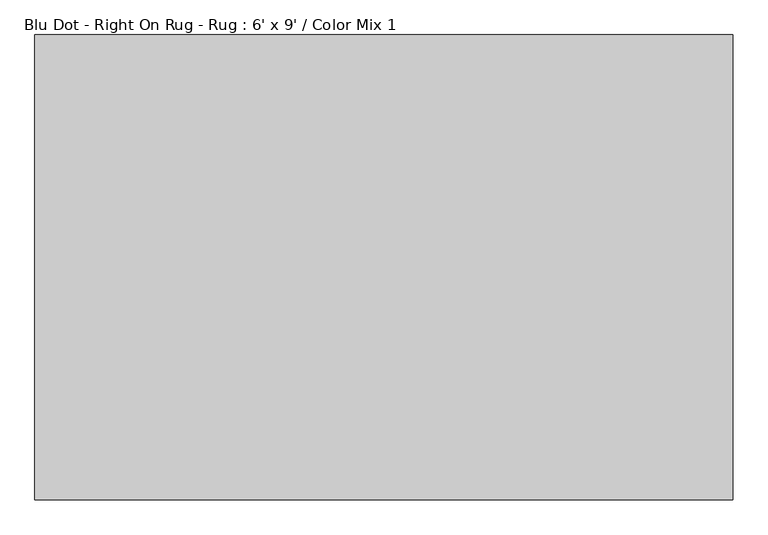
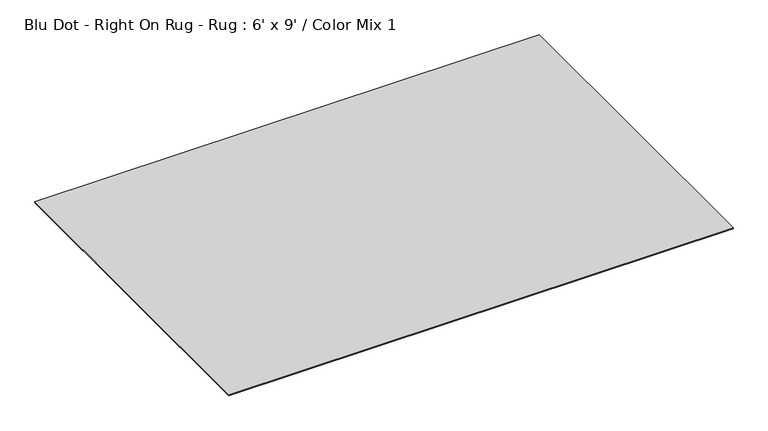
"""IFC4 building model written with IfcOpenShell, lengths in millimetres: furniture geometry, Blu Dot - Right On Rug - Rug : 6' x 9' / Color Mix 1."""

from ifc_helpers import new_model, si_unit, origin, origin_with_axes, place, context, project, spatial, polyline, outline, extrude, source, transform, mapped, element, save


def blu_dot_right_on_rug_rug_6_x_9_color_mix_1_638f6850(model_context):
    return source(origin(), model_context, "Body", "SweptSolid", [
        extrude(outline(polyline([(1371.6, -914.4), (-1371.6, -914.4), (-1371.6, 914.4), (1371.6, 914.4), (1371.6, -914.4)])), origin_with_axes(), (0.0, 0.0, 1.0), 6.35),
    ])


if __name__ == "__main__":
    model = new_model("IFC4")
    model_context = context("Model", 3, world=origin())
    ifc_project = project(units=[si_unit("LENGTHUNIT", "METRE", prefix="MILLI")], contexts=[model_context])
    site = spatial("IfcSite", under=ifc_project)
    building = spatial("IfcBuilding", under=site)
    placement = place(None, origin())
    blu_dot_right_on_rug_rug_6_x_9_color_mix_1_shape = blu_dot_right_on_rug_rug_6_x_9_color_mix_1_638f6850(model_context)
    element("IfcFurniture", 1, ObjectType="Blu Dot - Right On Rug - Rug : 6' x 9' / Color Mix 1", at=placement, inside=building, context=model_context, shape_type="MappedRepresentation", body=[
        mapped(blu_dot_right_on_rug_rug_6_x_9_color_mix_1_shape, transform((0.0, 0.0, 0.0), x_axis=(1.0, 0.0, 0.0), y_axis=(0.0, 1.0, 0.0), z_axis=(0.0, 0.0, 1.0))),
    ])
    save(model, "model.ifc")
